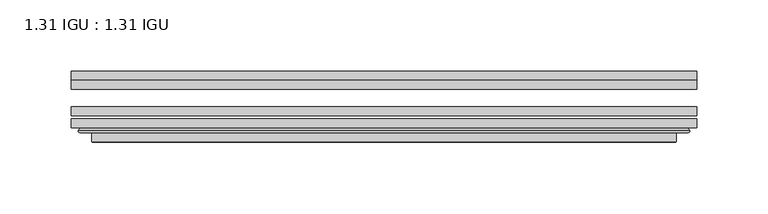
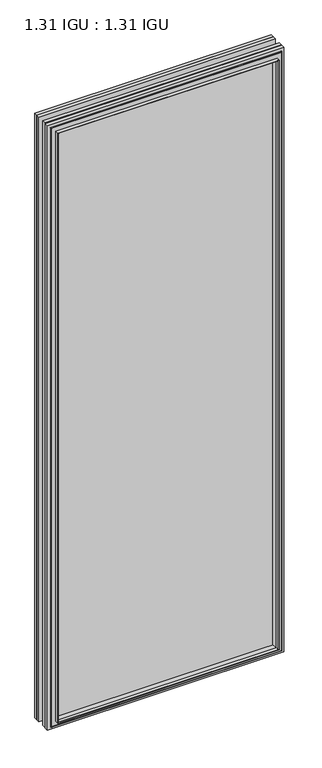
"""IFC4 building model written with IfcOpenShell, lengths in millimetres: plate geometry, 1.31 IGU : 1.31 IGU."""

import ifcopenshell
import ifcopenshell.guid

model = None  # the IFC model being written
_history = None  # IfcOwnerHistory: only IFC2X3 demands one
_inside = {}  # id of a spatial element -> (the spatial element, [elements in it])
_under = {}  # id of a project, library or spatial element -> (it, [spatial elements below it])
_declared = {}  # id of a project -> (the project, [libraries it declares])
_typed = {}  # id of a type object -> (the type object, [elements of that type])
_made_of = {}  # id of a material, layer set ... -> (it, [elements and type objects made of it])


def new_model(schema):
    """Start an empty IFC model of exactly this schema.

    Asked for "IFC4X3", IfcOpenShell would pick the latest addendum, in which some entities
    have other attributes; the version numbers below select the first issue.
    IFC2X3 requires an IfcOwnerHistory on every rooted entity: one is made here for all.
    """
    global model, _history
    if schema == "IFC4X3":
        model = ifcopenshell.file(schema_version=(4, 3, 0, 0))
    else:
        model = ifcopenshell.file(schema=schema)
    _inside.clear()
    _under.clear()
    _declared.clear()
    _typed.clear()
    _made_of.clear()
    _history = None
    if model.schema == "IFC2X3":
        org = make("IfcOrganization", Name="unknown")
        user = make(
            "IfcPersonAndOrganization",
            ThePerson=make("IfcPerson", FamilyName="unknown"),
            TheOrganization=org,
        )
        app = make(
            "IfcApplication",
            ApplicationDeveloper=org,
            Version="unknown",
            ApplicationFullName="unknown",
            ApplicationIdentifier="unknown",
        )
        _history = make(
            "IfcOwnerHistory",
            OwningUser=user,
            OwningApplication=app,
            ChangeAction="ADDED",
            CreationDate=0,
        )
    return model


def make(cls, **values):
    """One entity of the class cls with the attributes given. An attribute that is None is left unset."""
    return model.create_entity(
        cls, **{name: value for name, value in values.items() if value is not None}
    )


def rooted(cls, **values):
    """An entity with a GlobalId (a new one), such as an element, a storey or a relation."""
    return make(cls, GlobalId=ifcopenshell.guid.new(), OwnerHistory=_history, **values)


def si_unit(unit_type, name, prefix=None):
    """IfcSIUnit, for example si_unit("LENGTHUNIT", "METRE", prefix="MILLI")."""
    return make("IfcSIUnit", UnitType=unit_type, Prefix=prefix, Name=name)


def assignment(units):
    """IfcUnitAssignment: the units of a project."""
    return None if units is None else make("IfcUnitAssignment", Units=units)


def point(xyz):
    """IfcCartesianPoint."""
    return None if xyz is None else make("IfcCartesianPoint", Coordinates=xyz)


def direction(xyz):
    """IfcDirection."""
    return None if xyz is None else make("IfcDirection", DirectionRatios=xyz)


def frame(location, z_axis=None, x_axis=None):
    """IfcAxis2Placement3D, a coordinate frame: its origin and axes. An axis left out is left unset."""
    return make(
        "IfcAxis2Placement3D",
        Location=point(location),
        Axis=direction(z_axis),
        RefDirection=direction(x_axis),
    )


def origin():
    """The frame at (0, 0, 0) with its axes left unset."""
    return frame((0.0, 0.0, 0.0))


def place(relative_to, where):
    """IfcLocalPlacement: puts the frame where relative to a parent placement (None: the world)."""
    return make(
        "IfcLocalPlacement", PlacementRelTo=relative_to, RelativePlacement=where
    )


def context(
    kind, dimensions, precision=None, world=None, true_north=None, identifier=None
):
    """IfcGeometricRepresentationContext, for example the 3D "Model" context."""
    return make(
        "IfcGeometricRepresentationContext",
        ContextIdentifier=identifier,
        ContextType=kind,
        CoordinateSpaceDimension=dimensions,
        Precision=precision,
        WorldCoordinateSystem=world,
        TrueNorth=true_north,
    )


def project(units=None, contexts=None):
    """IfcProject with its units and contexts."""
    return rooted(
        "IfcProject",
        Name="project",
        RepresentationContexts=contexts,
        UnitsInContext=assignment(units),
    )


def spatial(cls, under=None, at=None, **own):
    """A site, building, storey or space (cls), placed at a placement, below another one or the project."""
    s = rooted(cls, ObjectPlacement=at, **own)
    if under is not None:
        _under.setdefault(under.id(), (under, []))[1].append(s)
    return s


def polyline(points):
    """IfcPolyline through the points."""
    return make("IfcPolyline", Points=[point(p) for p in points])


def ellipse_curve(where, semi_axis1, semi_axis2):
    """IfcEllipse in the frame where."""
    return make(
        "IfcEllipse", Position=where, SemiAxis1=semi_axis1, SemiAxis2=semi_axis2
    )


def outline(outer, holes=None, kind="AREA"):
    """IfcArbitraryClosedProfileDef: a profile drawn as a closed curve; with holes, ...WithVoids."""
    if holes is None:
        return make("IfcArbitraryClosedProfileDef", ProfileType=kind, OuterCurve=outer)
    return make(
        "IfcArbitraryProfileDefWithVoids",
        ProfileType=kind,
        OuterCurve=outer,
        InnerCurves=holes,
    )


def extrude(swept, where, along, depth):
    """IfcExtrudedAreaSolid: the profile swept, set in the frame where, extruded along a direction by depth."""
    return make(
        "IfcExtrudedAreaSolid",
        SweptArea=swept,
        Position=where,
        ExtrudedDirection=direction(along),
        Depth=depth,
    )


def faces_of(points, faces, orient=None, outer=None):
    """IfcFace entities. A face is a list of loops; a loop is a list of indices into points, from 0.

    orient and outer hold one flag for each loop. By default every Orientation is true, the
    first loop of a face is its IfcFaceOuterBound and the others are IfcFaceBound.
    """
    made = []
    for i, loops in enumerate(faces):
        bounds = []
        for j, loop in enumerate(loops):
            is_outer = j == 0 if outer is None else outer[i][j]
            bounds.append(
                make(
                    "IfcFaceOuterBound" if is_outer else "IfcFaceBound",
                    Bound=make("IfcPolyLoop", Polygon=[points[k] for k in loop]),
                    Orientation=True if orient is None else orient[i][j],
                )
            )
        made.append(make("IfcFace", Bounds=bounds))
    return made


def faceted_brep(points, faces, orient=None, outer=None, voids=None):
    """IfcFacetedBrep: a solid bounded by flat faces; with voids (closed shells), ...WithVoids."""
    shared = [point(p) for p in points]
    hull = make("IfcClosedShell", CfsFaces=faces_of(shared, faces, orient, outer))
    if voids is None:
        return make("IfcFacetedBrep", Outer=hull)
    return make(
        "IfcFacetedBrepWithVoids",
        Outer=hull,
        Voids=[
            make(cls, CfsFaces=faces_of(shared, fs, o, b)) for cls, fs, o, b in voids
        ],
    )


def shape(context_of_items, identifier, shape_type, items):
    """IfcShapeRepresentation: the items that make up one representation, for example the "Body"."""
    return make(
        "IfcShapeRepresentation",
        ContextOfItems=context_of_items,
        RepresentationIdentifier=identifier,
        RepresentationType=shape_type,
        Items=items,
    )


def source(mapping_origin, context_of_items, identifier, shape_type, items):
    """IfcRepresentationMap: a shape defined once, which mapped items show again and again."""
    return make(
        "IfcRepresentationMap",
        MappingOrigin=mapping_origin,
        MappedRepresentation=shape(context_of_items, identifier, shape_type, items),
    )


def transform(
    local_origin,
    x_axis=None,
    y_axis=None,
    z_axis=None,
    scale=None,
    scale2=None,
    scale3=None,
    uniform=True,
):
    """IfcCartesianTransformationOperator3D, or its non-uniform kind. x_axis, y_axis, z_axis: its Axis1, 2, 3."""
    if uniform:
        return make(
            "IfcCartesianTransformationOperator3D",
            Axis1=direction(x_axis),
            Axis2=direction(y_axis),
            LocalOrigin=point(local_origin),
            Scale=scale,
            Axis3=direction(z_axis),
        )
    return make(
        "IfcCartesianTransformationOperator3DnonUniform",
        Axis1=direction(x_axis),
        Axis2=direction(y_axis),
        LocalOrigin=point(local_origin),
        Scale=scale,
        Axis3=direction(z_axis),
        Scale2=scale2,
        Scale3=scale3,
    )


def mapped(mapping_source, mapping_target):
    """IfcMappedItem: shows the shape of a source again, moved by a transform."""
    return make(
        "IfcMappedItem", MappingSource=mapping_source, MappingTarget=mapping_target
    )


def made_of(thing, what):
    """Note that an element or type object is made of a material, layer set ...; save() writes the relation."""
    if what is not None:
        _made_of.setdefault(what.id(), (what, []))[1].append(thing)
    return thing


def element(
    cls,
    number,
    at=None,
    inside=None,
    cuts=None,
    type_object=None,
    material=None,
    context=None,
    identifier="Body",
    shape_type=None,
    held_by="IfcProductDefinitionShape",
    body=None,
    shapes=None,
    **own,
):
    """One element of the class cls, such as IfcWall. Its Tag is "e" and its number.

    at: its placement. inside: the storey or other place that contains it. cuts: it is an
    opening in that element (IfcRelVoidsElement). A single representation is given by context,
    identifier, shape_type and body (its items); several are given by shapes. held_by: the class
    of the entity that holds the representations. save() writes the other relations.
    """
    e = rooted(cls, Tag="e%d" % number, ObjectPlacement=at, **own)
    if body is not None:
        shapes = [shape(context, identifier, shape_type, body)]
    if shapes is not None:
        e.Representation = make(held_by, Representations=shapes)
    if inside is not None:
        _inside.setdefault(inside.id(), (inside, []))[1].append(e)
    if cuts is not None:
        rooted(
            "IfcRelVoidsElement", RelatingBuildingElement=cuts, RelatedOpeningElement=e
        )
    if type_object is not None:
        _typed.setdefault(type_object.id(), (type_object, []))[1].append(e)
    return made_of(e, material)


def aggregate(whole, parts):
    """IfcRelAggregates: a whole, such as a stair, and the parts it consists of."""
    return rooted("IfcRelAggregates", RelatingObject=whole, RelatedObjects=parts)


def save(model, path):
    """Write the relations noted so far, then the file.

    IfcRelAggregates (storeys below a building ...), IfcRelContainedInSpatialStructure (elements
    in a storey), IfcRelDefinesByType, IfcRelAssociatesMaterial and IfcRelDeclares: one each for
    every whole, place, type object, material and project.
    """
    for whole, parts in _under.values():
        aggregate(whole, parts)
    for where, things in _inside.values():
        rooted(
            "IfcRelContainedInSpatialStructure",
            RelatedElements=things,
            RelatingStructure=where,
        )
    for kind, things in _typed.values():
        rooted("IfcRelDefinesByType", RelatedObjects=things, RelatingType=kind)
    for what, things in _made_of.values():
        rooted("IfcRelAssociatesMaterial", RelatedObjects=things, RelatingMaterial=what)
    for by, libraries in _declared.values():
        rooted("IfcRelDeclares", RelatingContext=by, RelatedDefinitions=libraries)
    model.write(path)


def plane_surface(at):
    """IfcPlane: the flat surface through the origin of the frame at, square to its z axis."""
    return make("IfcPlane", Position=at)


def cylinder_surface(at, radius):
    """IfcCylindricalSurface: all points at the distance radius from the z axis of the frame at."""
    return make("IfcCylindricalSurface", Position=at, Radius=radius)


def advanced_brep(points, edges, surfaces, faces):
    """IfcAdvancedBrep: a solid bounded by faces that lie on surfaces and meet in shared edges.

    An edge is (start, end): straight between two places in points (the first is 0);
    or (start, end, curve); or (start, end, curve, False) where it runs against its curve.
    A face is (place in surfaces, loops), or (place, loops, False) where it looks against
    its surface's normal. A loop lists edges by number (the first is 1), with a minus sign
    where the edge is run from its end to its start. The first loop is the outer one.
    """
    corners = [point(p) for p in points]
    vertices = [make("IfcVertexPoint", VertexGeometry=c) for c in corners]
    made = []
    for start, end, *more in edges:
        made.append(
            make(
                "IfcEdgeCurve",
                EdgeStart=vertices[start],
                EdgeEnd=vertices[end],
                EdgeGeometry=more[0] if more else make("IfcPolyline", Points=[corners[start], corners[end]]),
                SameSense=more[1] if len(more) > 1 else True,
            )
        )
    hull = []
    for where, loops, *sense in faces:
        bounds = []
        for j, loop in enumerate(loops):
            ring = [make("IfcOrientedEdge", EdgeElement=made[abs(k) - 1], Orientation=k > 0) for k in loop]
            bounds.append(
                make(
                    "IfcFaceOuterBound" if j == 0 else "IfcFaceBound",
                    Bound=make("IfcEdgeLoop", EdgeList=ring),
                    Orientation=True,
                )
            )
        hull.append(make("IfcAdvancedFace", Bounds=bounds, FaceSurface=surfaces[where], SameSense=sense[0] if sense else True))
    return make("IfcAdvancedBrep", Outer=make("IfcClosedShell", CfsFaces=hull))


def plate_1_31_igu_1_31_igu_c5a3776c(model_context):
    return source(origin(), model_context, "Body", "SolidModel", [
        extrude(outline(polyline([(219.089175, -66.4725937), (219.089175, -72.8225938), (-219.075, -72.8225938), (-219.075, -66.4725937), (219.089175, -66.4725937)])), frame((0.0, 0.0, -14.2875), z_axis=(0.0, 0.0, 1.0), x_axis=(1.0, 0.0, 0.0)), (0.0, 0.0, 1.0), 1184.2787979),
        extrude(outline(polyline([(-219.075, -81.4585938), (-219.075, -75.1080887), (219.089175, -75.1080887), (219.089175, -81.4585938), (-219.075, -81.4585938)])), frame((0.0, 0.0, -14.2875), z_axis=(0.0, 0.0, 1.0), x_axis=(1.0, 0.0, 0.0)), (0.0, 0.0, 1.0), 1184.2787979),
        extrude(outline(polyline([(219.089175, -48.1337937), (219.089175, -54.4837938), (-219.075, -54.4837938), (-219.075, -48.1337937), (219.089175, -48.1337937)])), frame((0.0, 0.0, -14.2875), z_axis=(0.0, 0.0, 1.0), x_axis=(1.0, 0.0, 0.0)), (0.0, 0.0, 1.0), 1184.2787979),
        faceted_brep([(-204.7821902, -41.7837938, 1155.6946902), (-203.8897559, -48.1337937, 1154.8022559), (-203.8897559, -48.1337937, 0.8977441), (-204.7821902, -41.7837938, 0.0053098), (-219.0877, -48.1337937, 1170.0002), (-219.0877, -41.7837938, 1170.0002), (-219.0877, -41.7837938, -14.3002), (-219.0877, -48.1337937, -14.3002), (203.8897559, -48.1337937, 0.8977441), (204.7821902, -41.7837938, 0.0053098), (219.0877, -41.7837938, -14.3002), (219.0877, -48.1337937, -14.3002), (203.8897559, -48.1337937, 1154.8022559), (204.7821902, -41.7837938, 1155.6946902), (219.0877, -41.7837938, 1170.0002), (219.0877, -48.1337937, 1170.0002)], [[[0, 1, 2, 3]], [[4, 5, 6, 7]], [[3, 2, 8, 9]], [[7, 6, 10, 11]], [[9, 8, 12, 13]], [[11, 10, 14, 15]], [[7, 11, 15, 4], [1, 12, 8, 2]], [[13, 12, 1, 0]], [[5, 14, 10, 6], [3, 9, 13, 0]], [[15, 14, 5, 4]]]),
        advanced_brep(
        [(-213.1861349, -84.6335938, 1164.0986349), (-214.1879244, -83.4482604, 1165.1004244), (-214.1879244, -83.4482604, -9.4004244), (-213.1861349, -84.6335938, -8.3986349), (-204.7820784, -91.0948368, 1155.6945784), (-204.7820784, -84.6335938, 1155.6945784), (-204.7820784, -84.6335938, 0.0054216), (-204.7820784, -91.0948368, 0.0054216), (-203.7914217, -90.6958619, 1154.7039217), (-203.7914217, -90.6958619, 0.9960783), (-202.7593939, -85.2986307, 1153.6718939), (-202.7593939, -85.2986307, 2.0281061), (-197.8245621, -81.4585938, 1148.7370621), (-197.8245621, -81.4585938, 6.9629379), (-211.833719, -81.4585938, 1162.746219), (-211.833719, -81.4585938, -7.046219), (214.1879244, -83.4482604, -9.4004244), (213.1861349, -84.6335938, -8.3986349), (204.7820784, -84.6335938, 0.0054216), (204.7820784, -91.0948368, 0.0054216), (203.7914217, -90.6958619, 0.9960783), (202.7593939, -85.2986307, 2.0281061), (197.8245621, -81.4585938, 6.9629379), (211.833719, -81.4585938, -7.046219), (214.1879244, -83.4482604, 1165.1004244), (213.1861349, -84.6335938, 1164.0986349), (204.7820784, -84.6335938, 1155.6945784), (204.7820784, -91.0948368, 1155.6945784), (203.7914217, -90.6958619, 1154.7039217), (202.7593939, -85.2986307, 1153.6718939), (197.8245621, -81.4585938, 1148.7370621), (211.833719, -81.4585938, 1162.746219)],
        [
            (0, 1, ellipse_curve(frame((-213.1861349, -83.6175938, 1164.0986349), z_axis=(-0.7071067811865475, 0.0, -0.7071067811865475), x_axis=(-0.7071067811865474, 0.0, 0.7071067811865476)), 1.436841, 1.016)),
            (1, 2),
            (2, 3, ellipse_curve(frame((-213.1861349, -83.6175938, -8.3986349), z_axis=(-0.7071067811865475, 0.0, 0.7071067811865475), x_axis=(0.7071067811865474, 0.0, 0.7071067811865476)), 1.436841, 1.016)),
            (3, 0),
            (4, 5),
            (5, 6),
            (6, 7),
            (7, 4),
            (8, 4, ellipse_curve(frame((-204.4151219, -90.5766015, 1155.3276219), z_axis=(-0.7071067811865475, 0.0, -0.7071067811865475), x_axis=(-0.7071067811865474, 0.0, 0.7071067811865476)), 0.8980256, 0.635)),
            (7, 9, ellipse_curve(frame((-204.4151219, -90.5766015, 0.3723781), z_axis=(-0.7071067811865475, 0.0, 0.7071067811865475), x_axis=(0.7071067811865474, 0.0, 0.7071067811865476)), 0.8980256, 0.635)),
            (9, 8),
            (10, 8),
            (9, 11),
            (11, 10),
            (12, 10),
            (11, 13),
            (13, 12),
            (1, 14, ellipse_curve(frame((-211.833719, -83.8461938, 1162.746219), z_axis=(-0.7071067811865475, 0.0, -0.7071067811865475), x_axis=(-0.7071067811865474, 0.0, 0.7071067811865476)), 3.3765763, 2.3876)),
            (14, 15),
            (15, 2, ellipse_curve(frame((-211.833719, -83.8461938, -7.046219), z_axis=(-0.7071067811865475, 0.0, 0.7071067811865475), x_axis=(0.7071067811865474, 0.0, 0.7071067811865476)), 3.3765763, 2.3876)),
            (2, 16),
            (16, 17, ellipse_curve(frame((213.1861349, -83.6175938, -8.3986349), z_axis=(-0.7071067811865475, 0.0, -0.7071067811865475), x_axis=(-0.7071067811865476, 0.0, 0.7071067811865474)), 1.436841, 1.016)),
            (17, 3),
            (6, 18),
            (18, 19),
            (19, 7),
            (19, 20, ellipse_curve(frame((204.4151219, -90.5766015, 0.3723781), z_axis=(-0.7071067811865475, 0.0, -0.7071067811865475), x_axis=(-0.7071067811865476, 0.0, 0.7071067811865474)), 0.8980256, 0.635)),
            (20, 9),
            (20, 21),
            (21, 11),
            (21, 22),
            (22, 13),
            (15, 23),
            (23, 16, ellipse_curve(frame((211.833719, -83.8461938, -7.046219), z_axis=(-0.7071067811865475, 0.0, -0.7071067811865475), x_axis=(-0.7071067811865476, 0.0, 0.7071067811865474)), 3.3765763, 2.3876)),
            (16, 24),
            (24, 25, ellipse_curve(frame((213.1861349, -83.6175938, 1164.0986349), z_axis=(0.7071067811865475, 0.0, -0.7071067811865475), x_axis=(-0.7071067811865474, 0.0, -0.7071067811865476)), 1.436841, 1.016)),
            (25, 17),
            (18, 26),
            (26, 27),
            (27, 19),
            (27, 28, ellipse_curve(frame((204.4151219, -90.5766015, 1155.3276219), z_axis=(0.7071067811865475, 0.0, -0.7071067811865475), x_axis=(-0.7071067811865474, 0.0, -0.7071067811865476)), 0.8980256, 0.635)),
            (28, 20),
            (28, 29),
            (29, 21),
            (29, 30),
            (30, 22),
            (23, 31),
            (31, 24, ellipse_curve(frame((211.833719, -83.8461938, 1162.746219), z_axis=(0.7071067811865475, 0.0, -0.7071067811865475), x_axis=(-0.7071067811865474, 0.0, -0.7071067811865476)), 3.3765763, 2.3876)),
            (24, 1),
            (0, 25),
            (5, 26),
            (4, 27),
            (8, 28),
            (10, 29),
            (12, 30),
            (14, 31),
        ],
        [
            cylinder_surface(frame((-213.1861349, -83.6175938, 1187.45), z_axis=(0.0, 0.0, 1.0), x_axis=(-1.0, 0.0, 0.0)), 1.016),
            plane_surface(frame((-204.7820784, -84.6335938, 1155.6945784), z_axis=(-1.0, 0.0, 0.0), x_axis=(0.0, 0.0, -1.0))),
            cylinder_surface(frame((-204.4151219, -90.5766015, 1187.45), z_axis=(0.0, 0.0, 1.0), x_axis=(-1.0, 0.0, 0.0)), 0.635),
            plane_surface(frame((-203.7914217, -90.6958619, 1154.7039217), z_axis=(0.9822050625507717, -0.1878116479338675, 0.0), x_axis=(0.0, 0.0, -1.0))),
            plane_surface(frame((-202.7593939, -85.2986307, 1153.6718939), z_axis=(0.6141233906514726, -0.7892100234124875, 0.0), x_axis=(0.0, 0.0, -1.0))),
            cylinder_surface(frame((-211.833719, -83.8461938, 1187.45), z_axis=(0.0, 0.0, 1.0), x_axis=(-1.0, 0.0, 0.0)), 2.3876),
            cylinder_surface(frame((-236.5375, -83.6175938, -8.3986349), z_axis=(-1.0, 0.0, 0.0), x_axis=(0.0, 0.0, -1.0)), 1.016),
            plane_surface(frame((-204.7820784, -84.6335938, 0.0054216), z_axis=(0.0, 0.0, -1.0), x_axis=(1.0, 0.0, 0.0))),
            cylinder_surface(frame((-236.5375, -90.5766015, 0.3723781), z_axis=(-1.0, 0.0, 0.0), x_axis=(0.0, 0.0, -1.0)), 0.635),
            plane_surface(frame((-203.7914217, -90.6958619, 0.9960783), z_axis=(0.0, -0.18781164793386435, 0.9822050625507722), x_axis=(1.0, 0.0, 0.0))),
            plane_surface(frame((-202.7593939, -85.2986307, 2.0281061), z_axis=(0.0, -0.7892100234124855, 0.6141233906514751), x_axis=(1.0, 0.0, 0.0))),
            cylinder_surface(frame((-236.5375, -83.8461938, -7.046219), z_axis=(-1.0, 0.0, 0.0), x_axis=(0.0, 0.0, -1.0)), 2.3876),
            cylinder_surface(frame((213.1861349, -83.6175938, -31.75), z_axis=(0.0, 0.0, -1.0), x_axis=(1.0, 0.0, 0.0)), 1.016),
            plane_surface(frame((204.7820784, -84.6335938, 0.0054216), z_axis=(1.0, 0.0, 0.0), x_axis=(0.0, 0.0, 1.0))),
            cylinder_surface(frame((204.4151219, -90.5766015, -31.75), z_axis=(0.0, 0.0, -1.0), x_axis=(1.0, 0.0, 0.0)), 0.635),
            plane_surface(frame((203.7914217, -90.6958619, 0.9960783), z_axis=(-0.9822050625507728, -0.18781164793386118, 0.0), x_axis=(0.0, 0.0, 1.0))),
            plane_surface(frame((202.7593939, -85.2986307, 2.0281061), z_axis=(-0.6141233906514777, -0.7892100234124835, 0.0), x_axis=(0.0, 0.0, 1.0))),
            cylinder_surface(frame((211.833719, -83.8461938, -31.75), z_axis=(0.0, 0.0, -1.0), x_axis=(1.0, 0.0, 0.0)), 2.3876),
            cylinder_surface(frame((236.5375, -83.6175938, 1164.0986349), z_axis=(1.0, 0.0, 0.0), x_axis=(0.0, 0.0, 1.0)), 1.016),
            plane_surface(frame((213.1861349, -84.6335938, 1164.0986349), z_axis=(0.0, -1.0, 0.0), x_axis=(-1.0, 0.0, 0.0))),
            plane_surface(frame((204.7820784, -84.6335938, 1155.6945784), z_axis=(0.0, 0.0, 1.0), x_axis=(-1.0, 0.0, 0.0))),
            cylinder_surface(frame((236.5375, -90.5766015, 1155.3276219), z_axis=(1.0, 0.0, 0.0), x_axis=(0.0, 0.0, 1.0)), 0.635),
            plane_surface(frame((203.7914217, -90.6958619, 1154.7039217), z_axis=(0.0, -0.18781164793386435, -0.9822050625507722), x_axis=(-1.0, 0.0, 0.0))),
            plane_surface(frame((202.7593939, -85.2986307, 1153.6718939), z_axis=(0.0, -0.7892100234124855, -0.6141233906514751), x_axis=(-1.0, 0.0, 0.0))),
            plane_surface(frame((197.8245621, -81.4585938, 1148.7370621), z_axis=(0.0, 1.0, 0.0), x_axis=(-1.0, 0.0, 0.0))),
            cylinder_surface(frame((236.5375, -83.8461938, 1162.746219), z_axis=(1.0, 0.0, 0.0), x_axis=(0.0, 0.0, 1.0)), 2.3876),
        ],
        [
            (0, [[1, 2, 3, 4]]),
            (1, [[5, 6, 7, 8]]),
            (2, [[9, -8, 10, 11]]),
            (3, [[12, -11, 13, 14]]),
            (4, [[15, -14, 16, 17]]),
            (5, [[18, 19, 20, -2]]),
            (6, [[-3, 21, 22, 23]]),
            (7, [[-7, 24, 25, 26]]),
            (8, [[-10, -26, 27, 28]]),
            (9, [[-13, -28, 29, 30]]),
            (10, [[-16, -30, 31, 32]]),
            (11, [[-20, 33, 34, -21]]),
            (12, [[-22, 35, 36, 37]]),
            (13, [[-25, 38, 39, 40]]),
            (14, [[-27, -40, 41, 42]]),
            (15, [[-29, -42, 43, 44]]),
            (16, [[-31, -44, 45, 46]]),
            (17, [[-34, 47, 48, -35]]),
            (18, [[-36, 49, -1, 50]]),
            (19, [[-23, -37, -50, -4], [51, -38, -24, -6]]),
            (20, [[-39, -51, -5, 52]]),
            (21, [[-41, -52, -9, 53]]),
            (22, [[-43, -53, -12, 54]]),
            (23, [[-45, -54, -15, 55]]),
            (24, [[56, -47, -33, -19], [-32, -46, -55, -17]]),
            (25, [[-48, -56, -18, -49]]),
        ],
    ),
    ])


if __name__ == "__main__":
    model = new_model("IFC4")
    model_context = context("Model", 3, world=origin())
    ifc_project = project(units=[si_unit("LENGTHUNIT", "METRE", prefix="MILLI")], contexts=[model_context])
    site = spatial("IfcSite", under=ifc_project)
    building = spatial("IfcBuilding", under=site)
    placement = place(None, origin())
    plate_1_31_igu_1_31_igu_shape = plate_1_31_igu_1_31_igu_c5a3776c(model_context)
    element("IfcPlate", 1, ObjectType="1.31 IGU : 1.31 IGU", at=placement, inside=building, context=model_context, shape_type="MappedRepresentation", body=[
        mapped(plate_1_31_igu_1_31_igu_shape, transform((0.0, 0.0, 0.0), x_axis=(1.0, 0.0, 0.0), y_axis=(0.0, 1.0, 0.0), z_axis=(0.0, 0.0, 1.0))),
    ])
    save(model, "model.ifc")
